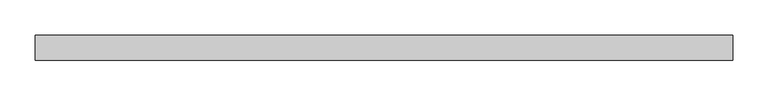
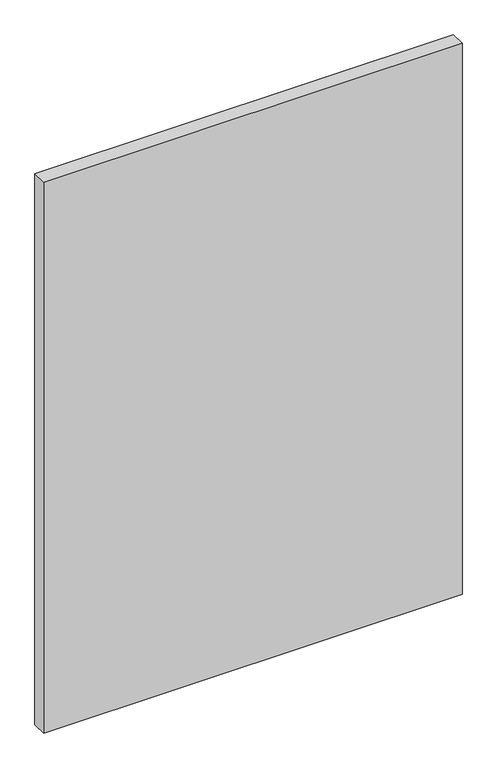
"""IFC4 building model written with IfcOpenShell, lengths in millimetres: plate geometry."""

from ifc_helpers import new_model, si_unit, origin, origin_with_axes, place, context, project, spatial, polyline, outline, extrude, source, transform, mapped, element, save


def plate_cda0b29d(model_context):
    return source(origin(), model_context, "Body", "SweptSolid", [
        extrude(outline(polyline([(492.1116071, -17.5), (-492.1116071, -17.5), (-492.1116071, 17.5), (492.1116071, 17.5), (492.1116071, -17.5)])), origin_with_axes(), (0.0, 0.0, 1.0), 1370.0),
    ])


if __name__ == "__main__":
    model = new_model("IFC4")
    model_context = context("Model", 3, world=origin())
    ifc_project = project(units=[si_unit("LENGTHUNIT", "METRE", prefix="MILLI")], contexts=[model_context])
    site = spatial("IfcSite", under=ifc_project)
    building = spatial("IfcBuilding", under=site)
    placement = place(None, origin())
    plate_shape = plate_cda0b29d(model_context)
    element("IfcPlate", 1, at=placement, inside=building, context=model_context, shape_type="MappedRepresentation", body=[
        mapped(plate_shape, transform((0.0, 0.0, 0.0), x_axis=(1.0, 0.0, 0.0), y_axis=(0.0, 1.0, 0.0), z_axis=(0.0, 0.0, 1.0))),
    ])
    save(model, "model.ifc")
